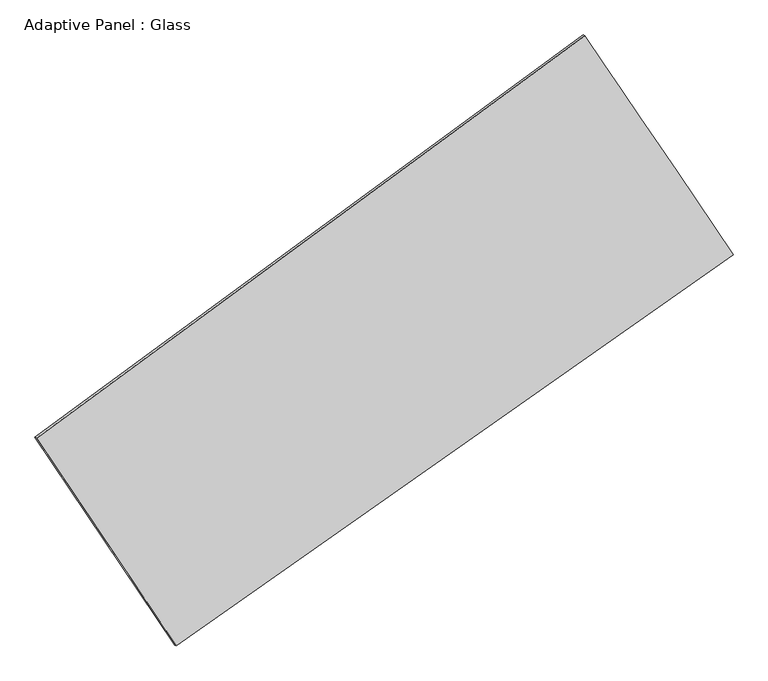
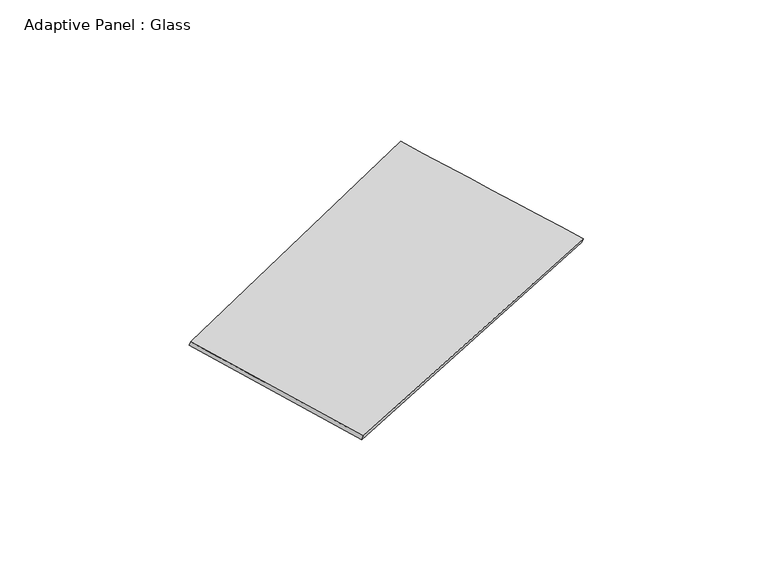
"""IFC4 building model written with IfcOpenShell, lengths in millimetres: plate geometry, Adaptive Panel : Glass."""

from ifc_helpers import new_model, si_unit, frame, origin, place, context, project, spatial, source, transform, mapped, element, save
from ifc_brep_helpers import plane_surface, spline_surface, advanced_brep


def adaptive_panel_glass_b7a3204c(model_context):
    return source(origin(), model_context, "Body", "AdvancedBrep", [
        advanced_brep(
        [(1072.1116426, 2524.021869, 684.4730476), (-3600.9595977, -906.8639689, 1683.128667), (-3586.2932419, -913.2440623, 1730.501575), (1086.7779984, 2517.6417756, 731.8459556), (-2409.2672157, -2675.9841036, 1061.6016219), (-2394.6008598, -2682.3641971, 1108.9745299), (2334.8245926, 658.5776306, 55.9191837), (2349.4909485, 652.1975371, 103.2920918)],
        [
            (0, 1),
            (1, 2),
            (2, 3),
            (3, 0),
            (1, 4),
            (4, 5),
            (5, 2),
            (4, 6),
            (6, 7),
            (7, 5),
            (6, 0),
            (3, 7),
        ],
        [
            plane_surface(frame((-1264.4239775, 808.5789501, 1183.8008573), z_axis=(-0.5309144980970584, 0.8024381442962425, 0.27243865417512114), x_axis=(-0.7943783851669117, -0.5832184898227352, 0.16976211093320487))),
            plane_surface(frame((-3005.1134067, -1791.4240362, 1372.3651444), z_axis=(-0.7901433718462663, -0.5902593082407073, 0.1651284377768258), x_axis=(0.5363734007630564, -0.7962700755270369, -0.279745494644759))),
            plane_surface(frame((-37.2213115, -1008.7032365, 558.7604028), z_axis=(0.5150159055906698, -0.8138600114330383, -0.2690548248570118), x_axis=(0.806087681336534, 0.5665887687676436, -0.17087953974615053))),
            plane_surface(frame((1703.4681176, 1591.2997498, 370.1961157), z_axis=(0.7900465785151891, 0.590402635519966, -0.16507916812100074), x_axis=(-0.539926379726973, 0.7976496591823227, 0.2687648148125961))),
            spline_surface(1, 1, [[(-3586.2932419, -913.2440623, 1730.501575), (1086.7779984, 2517.6417756, 731.8459556)], [(-2394.6008598, -2682.3641971, 1108.9745299), (2349.4909485, 652.1975371, 103.2920918)]], [2, 2], [2, 2], [0.0, 1.0], [0.0, 1.0]),
            spline_surface(1, 1, [[(2334.8245926, 658.5776306, 55.9191837), (1072.1116426, 2524.021869, 684.4730476)], [(-2409.2672157, -2675.9841036, 1061.6016219), (-3600.9595977, -906.8639689, 1683.128667)]], [2, 2], [2, 2], [0.0, 1.0], [0.0, 1.0]),
        ],
        [
            (0, [[1, 2, 3, 4]]),
            (1, [[5, 6, 7, -2]]),
            (2, [[8, 9, 10, -6]]),
            (3, [[11, -4, 12, -9]]),
            (4, [[-3, -7, -10, -12]]),
            (5, [[-11, -8, -5, -1]]),
        ],
    ),
    ])


if __name__ == "__main__":
    model = new_model("IFC4")
    model_context = context("Model", 3, world=origin())
    ifc_project = project(units=[si_unit("LENGTHUNIT", "METRE", prefix="MILLI")], contexts=[model_context])
    site = spatial("IfcSite", under=ifc_project)
    building = spatial("IfcBuilding", under=site)
    placement = place(None, origin())
    adaptive_panel_glass_shape = adaptive_panel_glass_b7a3204c(model_context)
    element("IfcPlate", 1, ObjectType="Adaptive Panel : Glass", at=placement, inside=building, context=model_context, shape_type="MappedRepresentation", body=[
        mapped(adaptive_panel_glass_shape, transform((0.0, 0.0, 0.0), x_axis=(1.0, 0.0, 0.0), y_axis=(0.0, 1.0, 0.0), z_axis=(0.0, 0.0, 1.0))),
    ])
    save(model, "model.ifc")
